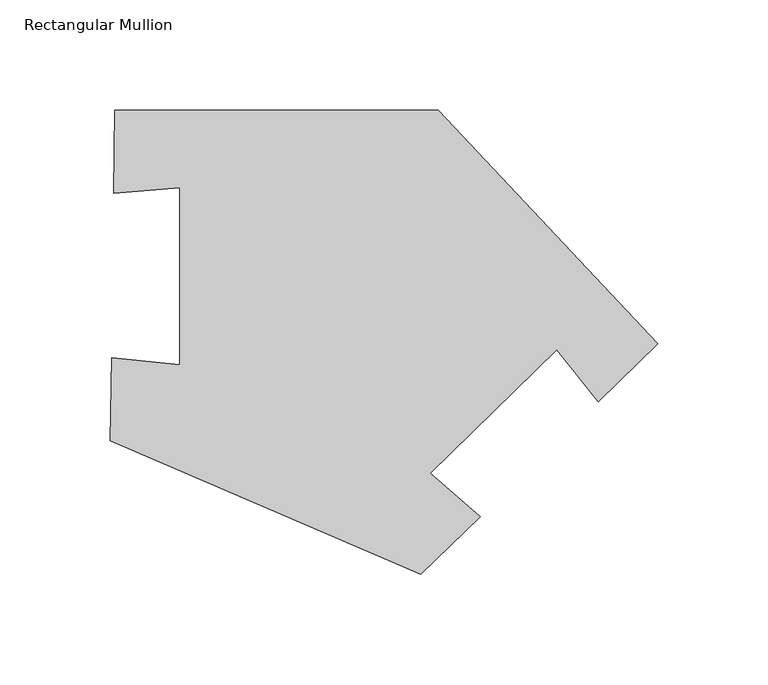
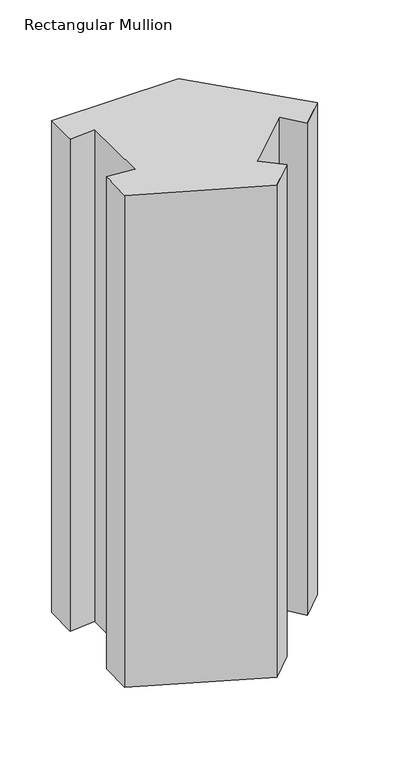
"""IFC4 building model written with IfcOpenShell, lengths in millimetres: member geometry, Rectangular Mullion."""

import ifcopenshell
import ifcopenshell.guid

model = None  # the IFC model being written
_history = None  # IfcOwnerHistory: only IFC2X3 demands one
_inside = {}  # id of a spatial element -> (the spatial element, [elements in it])
_under = {}  # id of a project, library or spatial element -> (it, [spatial elements below it])
_declared = {}  # id of a project -> (the project, [libraries it declares])
_typed = {}  # id of a type object -> (the type object, [elements of that type])
_made_of = {}  # id of a material, layer set ... -> (it, [elements and type objects made of it])


def new_model(schema):
    """Start an empty IFC model of exactly this schema.

    Asked for "IFC4X3", IfcOpenShell would pick the latest addendum, in which some entities
    have other attributes; the version numbers below select the first issue.
    IFC2X3 requires an IfcOwnerHistory on every rooted entity: one is made here for all.
    """
    global model, _history
    if schema == "IFC4X3":
        model = ifcopenshell.file(schema_version=(4, 3, 0, 0))
    else:
        model = ifcopenshell.file(schema=schema)
    _inside.clear()
    _under.clear()
    _declared.clear()
    _typed.clear()
    _made_of.clear()
    _history = None
    if model.schema == "IFC2X3":
        org = make("IfcOrganization", Name="unknown")
        user = make(
            "IfcPersonAndOrganization",
            ThePerson=make("IfcPerson", FamilyName="unknown"),
            TheOrganization=org,
        )
        app = make(
            "IfcApplication",
            ApplicationDeveloper=org,
            Version="unknown",
            ApplicationFullName="unknown",
            ApplicationIdentifier="unknown",
        )
        _history = make(
            "IfcOwnerHistory",
            OwningUser=user,
            OwningApplication=app,
            ChangeAction="ADDED",
            CreationDate=0,
        )
    return model


def make(cls, **values):
    """One entity of the class cls with the attributes given. An attribute that is None is left unset."""
    return model.create_entity(
        cls, **{name: value for name, value in values.items() if value is not None}
    )


def rooted(cls, **values):
    """An entity with a GlobalId (a new one), such as an element, a storey or a relation."""
    return make(cls, GlobalId=ifcopenshell.guid.new(), OwnerHistory=_history, **values)


def si_unit(unit_type, name, prefix=None):
    """IfcSIUnit, for example si_unit("LENGTHUNIT", "METRE", prefix="MILLI")."""
    return make("IfcSIUnit", UnitType=unit_type, Prefix=prefix, Name=name)


def assignment(units):
    """IfcUnitAssignment: the units of a project."""
    return None if units is None else make("IfcUnitAssignment", Units=units)


def point(xyz):
    """IfcCartesianPoint."""
    return None if xyz is None else make("IfcCartesianPoint", Coordinates=xyz)


def direction(xyz):
    """IfcDirection."""
    return None if xyz is None else make("IfcDirection", DirectionRatios=xyz)


def frame(location, z_axis=None, x_axis=None):
    """IfcAxis2Placement3D, a coordinate frame: its origin and axes. An axis left out is left unset."""
    return make(
        "IfcAxis2Placement3D",
        Location=point(location),
        Axis=direction(z_axis),
        RefDirection=direction(x_axis),
    )


def origin():
    """The frame at (0, 0, 0) with its axes left unset."""
    return frame((0.0, 0.0, 0.0))


def place(relative_to, where):
    """IfcLocalPlacement: puts the frame where relative to a parent placement (None: the world)."""
    return make(
        "IfcLocalPlacement", PlacementRelTo=relative_to, RelativePlacement=where
    )


def context(
    kind, dimensions, precision=None, world=None, true_north=None, identifier=None
):
    """IfcGeometricRepresentationContext, for example the 3D "Model" context."""
    return make(
        "IfcGeometricRepresentationContext",
        ContextIdentifier=identifier,
        ContextType=kind,
        CoordinateSpaceDimension=dimensions,
        Precision=precision,
        WorldCoordinateSystem=world,
        TrueNorth=true_north,
    )


def project(units=None, contexts=None):
    """IfcProject with its units and contexts."""
    return rooted(
        "IfcProject",
        Name="project",
        RepresentationContexts=contexts,
        UnitsInContext=assignment(units),
    )


def spatial(cls, under=None, at=None, **own):
    """A site, building, storey or space (cls), placed at a placement, below another one or the project."""
    s = rooted(cls, ObjectPlacement=at, **own)
    if under is not None:
        _under.setdefault(under.id(), (under, []))[1].append(s)
    return s


def polyline(points):
    """IfcPolyline through the points."""
    return make("IfcPolyline", Points=[point(p) for p in points])


def outline(outer, holes=None, kind="AREA"):
    """IfcArbitraryClosedProfileDef: a profile drawn as a closed curve; with holes, ...WithVoids."""
    if holes is None:
        return make("IfcArbitraryClosedProfileDef", ProfileType=kind, OuterCurve=outer)
    return make(
        "IfcArbitraryProfileDefWithVoids",
        ProfileType=kind,
        OuterCurve=outer,
        InnerCurves=holes,
    )


def extrude(swept, where, along, depth):
    """IfcExtrudedAreaSolid: the profile swept, set in the frame where, extruded along a direction by depth."""
    return make(
        "IfcExtrudedAreaSolid",
        SweptArea=swept,
        Position=where,
        ExtrudedDirection=direction(along),
        Depth=depth,
    )


def shape(context_of_items, identifier, shape_type, items):
    """IfcShapeRepresentation: the items that make up one representation, for example the "Body"."""
    return make(
        "IfcShapeRepresentation",
        ContextOfItems=context_of_items,
        RepresentationIdentifier=identifier,
        RepresentationType=shape_type,
        Items=items,
    )


def source(mapping_origin, context_of_items, identifier, shape_type, items):
    """IfcRepresentationMap: a shape defined once, which mapped items show again and again."""
    return make(
        "IfcRepresentationMap",
        MappingOrigin=mapping_origin,
        MappedRepresentation=shape(context_of_items, identifier, shape_type, items),
    )


def transform(
    local_origin,
    x_axis=None,
    y_axis=None,
    z_axis=None,
    scale=None,
    scale2=None,
    scale3=None,
    uniform=True,
):
    """IfcCartesianTransformationOperator3D, or its non-uniform kind. x_axis, y_axis, z_axis: its Axis1, 2, 3."""
    if uniform:
        return make(
            "IfcCartesianTransformationOperator3D",
            Axis1=direction(x_axis),
            Axis2=direction(y_axis),
            LocalOrigin=point(local_origin),
            Scale=scale,
            Axis3=direction(z_axis),
        )
    return make(
        "IfcCartesianTransformationOperator3DnonUniform",
        Axis1=direction(x_axis),
        Axis2=direction(y_axis),
        LocalOrigin=point(local_origin),
        Scale=scale,
        Axis3=direction(z_axis),
        Scale2=scale2,
        Scale3=scale3,
    )


def mapped(mapping_source, mapping_target):
    """IfcMappedItem: shows the shape of a source again, moved by a transform."""
    return make(
        "IfcMappedItem", MappingSource=mapping_source, MappingTarget=mapping_target
    )


def made_of(thing, what):
    """Note that an element or type object is made of a material, layer set ...; save() writes the relation."""
    if what is not None:
        _made_of.setdefault(what.id(), (what, []))[1].append(thing)
    return thing


def element(
    cls,
    number,
    at=None,
    inside=None,
    cuts=None,
    type_object=None,
    material=None,
    context=None,
    identifier="Body",
    shape_type=None,
    held_by="IfcProductDefinitionShape",
    body=None,
    shapes=None,
    **own,
):
    """One element of the class cls, such as IfcWall. Its Tag is "e" and its number.

    at: its placement. inside: the storey or other place that contains it. cuts: it is an
    opening in that element (IfcRelVoidsElement). A single representation is given by context,
    identifier, shape_type and body (its items); several are given by shapes. held_by: the class
    of the entity that holds the representations. save() writes the other relations.
    """
    e = rooted(cls, Tag="e%d" % number, ObjectPlacement=at, **own)
    if body is not None:
        shapes = [shape(context, identifier, shape_type, body)]
    if shapes is not None:
        e.Representation = make(held_by, Representations=shapes)
    if inside is not None:
        _inside.setdefault(inside.id(), (inside, []))[1].append(e)
    if cuts is not None:
        rooted(
            "IfcRelVoidsElement", RelatingBuildingElement=cuts, RelatedOpeningElement=e
        )
    if type_object is not None:
        _typed.setdefault(type_object.id(), (type_object, []))[1].append(e)
    return made_of(e, material)


def aggregate(whole, parts):
    """IfcRelAggregates: a whole, such as a stair, and the parts it consists of."""
    return rooted("IfcRelAggregates", RelatingObject=whole, RelatedObjects=parts)


def save(model, path):
    """Write the relations noted so far, then the file.

    IfcRelAggregates (storeys below a building ...), IfcRelContainedInSpatialStructure (elements
    in a storey), IfcRelDefinesByType, IfcRelAssociatesMaterial and IfcRelDeclares: one each for
    every whole, place, type object, material and project.
    """
    for whole, parts in _under.values():
        aggregate(whole, parts)
    for where, things in _inside.values():
        rooted(
            "IfcRelContainedInSpatialStructure",
            RelatedElements=things,
            RelatingStructure=where,
        )
    for kind, things in _typed.values():
        rooted("IfcRelDefinesByType", RelatedObjects=things, RelatingType=kind)
    for what, things in _made_of.values():
        rooted("IfcRelAssociatesMaterial", RelatedObjects=things, RelatingMaterial=what)
    for by, libraries in _declared.values():
        rooted("IfcRelDeclares", RelatingContext=by, RelatedDefinitions=libraries)
    model.write(path)


def rectangular_mullion_2b48a7dd(model_context):
    return source(origin(), model_context, "Body", "SweptSolid", [
        extrude(outline(polyline([(-245.6616133, 75.102523), (-99.2393163, 75.102523), (0.0, -30.6167189), (-26.8928725, -56.7831594), (-45.6715847, -33.3565827), (-103.0092303, -89.1454202), (-80.2940368, -108.7418481), (-107.1634269, -134.8854405), (-247.708479, -74.402583), (-247.1952692, -36.9172264), (-216.25285, -40.0517227), (-216.25285, 40.0517227), (-246.1752849, 37.5834402), (-245.6616133, 75.102523)])), frame((0.0, 0.0, -600.0), z_axis=(0.0, 0.0, 1.0), x_axis=(1.0, 0.0, 0.0)), (0.0, 0.0, 1.0), 600.0),
    ])


if __name__ == "__main__":
    model = new_model("IFC4")
    model_context = context("Model", 3, world=origin())
    ifc_project = project(units=[si_unit("LENGTHUNIT", "METRE", prefix="MILLI")], contexts=[model_context])
    site = spatial("IfcSite", under=ifc_project)
    building = spatial("IfcBuilding", under=site)
    placement = place(None, origin())
    rectangular_mullion_shape = rectangular_mullion_2b48a7dd(model_context)
    element("IfcMember", 1, ObjectType="Rectangular Mullion", at=placement, inside=building, context=model_context, shape_type="MappedRepresentation", body=[
        mapped(rectangular_mullion_shape, transform((0.0, 0.0, 0.0), x_axis=(1.0, 0.0, 0.0), y_axis=(0.0, 1.0, 0.0), z_axis=(0.0, 0.0, 1.0))),
    ])
    save(model, "model.ifc")
